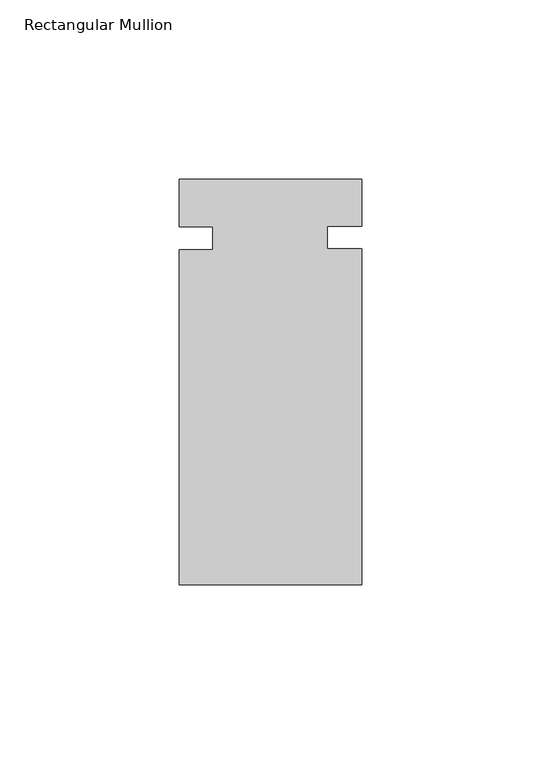
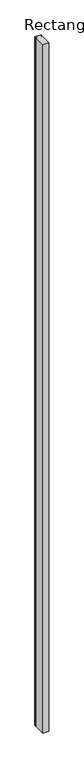
"""IFC4 building model written with IfcOpenShell, lengths in millimetres: member geometry, Rectangular Mullion."""

from ifc_helpers import new_model, si_unit, frame, origin, place, context, project, spatial, polyline, outline, extrude, source, transform, mapped, element, save


def rectangular_mullion_ac066b15(model_context):
    return source(origin(), model_context, "Body", "SweptSolid", [
        extrude(outline(polyline([(25.4, -56.0506562), (-25.4, -56.0506562), (-25.4, 37.4435762), (-16.0655, 37.4435762), (-16.0655, 43.7935762), (-25.4, 43.7935762), (-25.4, 57.0301438), (25.4, 57.0301438), (25.4, 43.967209), (15.875, 43.967209), (15.875, 37.6296114), (25.4, 37.6296114), (25.4, -56.0506562)])), frame((0.0, 0.0, -6000.75), z_axis=(0.0, 0.0, 1.0), x_axis=(1.0, 0.0, 0.0)), (0.0, 0.0, 1.0), 6000.75),
    ])


if __name__ == "__main__":
    model = new_model("IFC4")
    model_context = context("Model", 3, world=origin())
    ifc_project = project(units=[si_unit("LENGTHUNIT", "METRE", prefix="MILLI")], contexts=[model_context])
    site = spatial("IfcSite", under=ifc_project)
    building = spatial("IfcBuilding", under=site)
    placement = place(None, origin())
    rectangular_mullion_shape = rectangular_mullion_ac066b15(model_context)
    element("IfcMember", 1, ObjectType="Rectangular Mullion", at=placement, inside=building, context=model_context, shape_type="MappedRepresentation", body=[
        mapped(rectangular_mullion_shape, transform((0.0, 0.0, 0.0), x_axis=(1.0, 0.0, 0.0), y_axis=(0.0, 1.0, 0.0), z_axis=(0.0, 0.0, 1.0))),
    ])
    save(model, "model.ifc")
